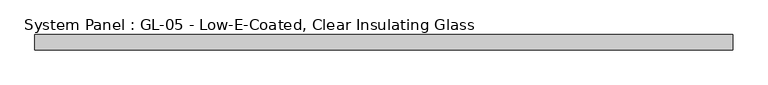
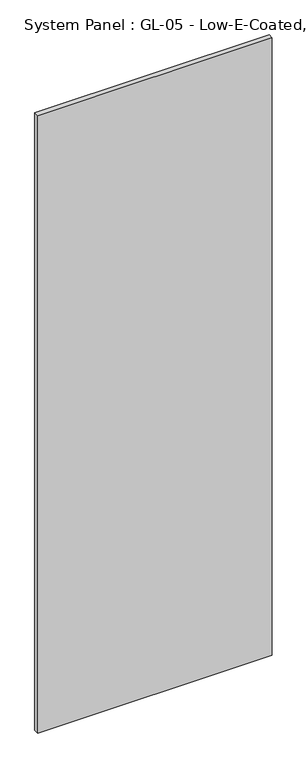
"""IFC4 building model written with IfcOpenShell, lengths in millimetres: plate geometry, System Panel : GL-05 - Low-E-Coated, Clear Insulating Glass."""

from ifc_helpers import new_model, si_unit, origin, origin_with_axes, place, context, project, spatial, polyline, outline, extrude, source, transform, mapped, element, save


def system_panel_gl_05_low_e_coated_clear_insulating_glass_3f43c080(model_context):
    return source(origin(), model_context, "Body", "SweptSolid", [
        extrude(outline(polyline([(584.2, -12.7), (-584.2, -12.7), (-584.2, 12.7), (584.2, 12.7), (584.2, -12.7)])), origin_with_axes(), (0.0, 0.0, 1.0), 3251.2),
    ])


if __name__ == "__main__":
    model = new_model("IFC4")
    model_context = context("Model", 3, world=origin())
    ifc_project = project(units=[si_unit("LENGTHUNIT", "METRE", prefix="MILLI")], contexts=[model_context])
    site = spatial("IfcSite", under=ifc_project)
    building = spatial("IfcBuilding", under=site)
    placement = place(None, origin())
    system_panel_gl_05_low_e_coated_clear_insulating_glass_shape = system_panel_gl_05_low_e_coated_clear_insulating_glass_3f43c080(model_context)
    element("IfcPlate", 1, ObjectType="System Panel : GL-05 - Low-E-Coated, Clear Insulating Glass", at=placement, inside=building, context=model_context, shape_type="MappedRepresentation", body=[
        mapped(system_panel_gl_05_low_e_coated_clear_insulating_glass_shape, transform((0.0, 0.0, 0.0), x_axis=(1.0, 0.0, 0.0), y_axis=(0.0, 1.0, 0.0), z_axis=(0.0, 0.0, 1.0))),
    ])
    save(model, "model.ifc")
